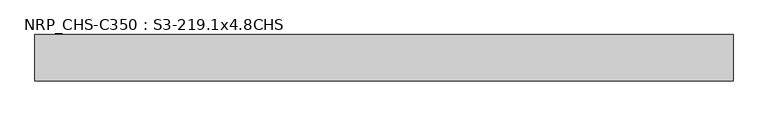
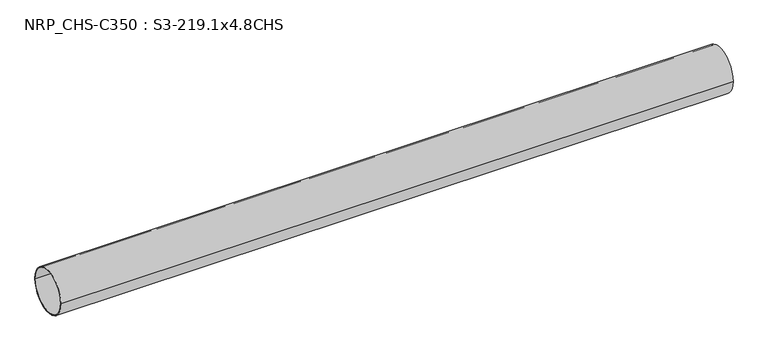
"""IFC4 building model written with IfcOpenShell, lengths in millimetres: beam geometry, NRP_CHS-C350 : S3-219.1x4.8CHS."""

import ifcopenshell
import ifcopenshell.guid

model = None  # the IFC model being written
_history = None  # IfcOwnerHistory: only IFC2X3 demands one
_inside = {}  # id of a spatial element -> (the spatial element, [elements in it])
_under = {}  # id of a project, library or spatial element -> (it, [spatial elements below it])
_declared = {}  # id of a project -> (the project, [libraries it declares])
_typed = {}  # id of a type object -> (the type object, [elements of that type])
_made_of = {}  # id of a material, layer set ... -> (it, [elements and type objects made of it])


def new_model(schema):
    """Start an empty IFC model of exactly this schema.

    Asked for "IFC4X3", IfcOpenShell would pick the latest addendum, in which some entities
    have other attributes; the version numbers below select the first issue.
    IFC2X3 requires an IfcOwnerHistory on every rooted entity: one is made here for all.
    """
    global model, _history
    if schema == "IFC4X3":
        model = ifcopenshell.file(schema_version=(4, 3, 0, 0))
    else:
        model = ifcopenshell.file(schema=schema)
    _inside.clear()
    _under.clear()
    _declared.clear()
    _typed.clear()
    _made_of.clear()
    _history = None
    if model.schema == "IFC2X3":
        org = make("IfcOrganization", Name="unknown")
        user = make(
            "IfcPersonAndOrganization",
            ThePerson=make("IfcPerson", FamilyName="unknown"),
            TheOrganization=org,
        )
        app = make(
            "IfcApplication",
            ApplicationDeveloper=org,
            Version="unknown",
            ApplicationFullName="unknown",
            ApplicationIdentifier="unknown",
        )
        _history = make(
            "IfcOwnerHistory",
            OwningUser=user,
            OwningApplication=app,
            ChangeAction="ADDED",
            CreationDate=0,
        )
    return model


def make(cls, **values):
    """One entity of the class cls with the attributes given. An attribute that is None is left unset."""
    return model.create_entity(
        cls, **{name: value for name, value in values.items() if value is not None}
    )


def rooted(cls, **values):
    """An entity with a GlobalId (a new one), such as an element, a storey or a relation."""
    return make(cls, GlobalId=ifcopenshell.guid.new(), OwnerHistory=_history, **values)


def si_unit(unit_type, name, prefix=None):
    """IfcSIUnit, for example si_unit("LENGTHUNIT", "METRE", prefix="MILLI")."""
    return make("IfcSIUnit", UnitType=unit_type, Prefix=prefix, Name=name)


def assignment(units):
    """IfcUnitAssignment: the units of a project."""
    return None if units is None else make("IfcUnitAssignment", Units=units)


def point(xyz):
    """IfcCartesianPoint."""
    return None if xyz is None else make("IfcCartesianPoint", Coordinates=xyz)


def direction(xyz):
    """IfcDirection."""
    return None if xyz is None else make("IfcDirection", DirectionRatios=xyz)


def frame(location, z_axis=None, x_axis=None):
    """IfcAxis2Placement3D, a coordinate frame: its origin and axes. An axis left out is left unset."""
    return make(
        "IfcAxis2Placement3D",
        Location=point(location),
        Axis=direction(z_axis),
        RefDirection=direction(x_axis),
    )


def frame_2d(location, x_axis=None):
    """IfcAxis2Placement2D, a coordinate frame in the plane: its origin and x axis."""
    return make(
        "IfcAxis2Placement2D", Location=point(location), RefDirection=direction(x_axis)
    )


def origin():
    """The frame at (0, 0, 0) with its axes left unset."""
    return frame((0.0, 0.0, 0.0))


def origin_2d():
    """The frame at (0, 0) in the plane with its x axis left unset."""
    return frame_2d((0.0, 0.0))


def place(relative_to, where):
    """IfcLocalPlacement: puts the frame where relative to a parent placement (None: the world)."""
    return make(
        "IfcLocalPlacement", PlacementRelTo=relative_to, RelativePlacement=where
    )


def context(
    kind, dimensions, precision=None, world=None, true_north=None, identifier=None
):
    """IfcGeometricRepresentationContext, for example the 3D "Model" context."""
    return make(
        "IfcGeometricRepresentationContext",
        ContextIdentifier=identifier,
        ContextType=kind,
        CoordinateSpaceDimension=dimensions,
        Precision=precision,
        WorldCoordinateSystem=world,
        TrueNorth=true_north,
    )


def project(units=None, contexts=None):
    """IfcProject with its units and contexts."""
    return rooted(
        "IfcProject",
        Name="project",
        RepresentationContexts=contexts,
        UnitsInContext=assignment(units),
    )


def spatial(cls, under=None, at=None, **own):
    """A site, building, storey or space (cls), placed at a placement, below another one or the project."""
    s = rooted(cls, ObjectPlacement=at, **own)
    if under is not None:
        _under.setdefault(under.id(), (under, []))[1].append(s)
    return s


def circle_curve(where, radius):
    """IfcCircle in the frame where."""
    return make("IfcCircle", Position=where, Radius=radius)


def trimmed(basis, trim1, trim2, sense, master):
    """IfcTrimmedCurve: the piece of a basis curve between two trims."""
    return make(
        "IfcTrimmedCurve",
        BasisCurve=basis,
        Trim1=trim1,
        Trim2=trim2,
        SenseAgreement=sense,
        MasterRepresentation=master,
    )


def segment(curve, same_sense, transition):
    """IfcCompositeCurveSegment."""
    return make(
        "IfcCompositeCurveSegment",
        Transition=transition,
        SameSense=same_sense,
        ParentCurve=curve,
    )


def composite_curve(segments, self_intersect=None):
    """IfcCompositeCurve: segments joined end to end."""
    return make("IfcCompositeCurve", Segments=segments, SelfIntersect=self_intersect)


def outline(outer, holes=None, kind="AREA"):
    """IfcArbitraryClosedProfileDef: a profile drawn as a closed curve; with holes, ...WithVoids."""
    if holes is None:
        return make("IfcArbitraryClosedProfileDef", ProfileType=kind, OuterCurve=outer)
    return make(
        "IfcArbitraryProfileDefWithVoids",
        ProfileType=kind,
        OuterCurve=outer,
        InnerCurves=holes,
    )


def extrude(swept, where, along, depth):
    """IfcExtrudedAreaSolid: the profile swept, set in the frame where, extruded along a direction by depth."""
    return make(
        "IfcExtrudedAreaSolid",
        SweptArea=swept,
        Position=where,
        ExtrudedDirection=direction(along),
        Depth=depth,
    )


def shape(context_of_items, identifier, shape_type, items):
    """IfcShapeRepresentation: the items that make up one representation, for example the "Body"."""
    return make(
        "IfcShapeRepresentation",
        ContextOfItems=context_of_items,
        RepresentationIdentifier=identifier,
        RepresentationType=shape_type,
        Items=items,
    )


def source(mapping_origin, context_of_items, identifier, shape_type, items):
    """IfcRepresentationMap: a shape defined once, which mapped items show again and again."""
    return make(
        "IfcRepresentationMap",
        MappingOrigin=mapping_origin,
        MappedRepresentation=shape(context_of_items, identifier, shape_type, items),
    )


def transform(
    local_origin,
    x_axis=None,
    y_axis=None,
    z_axis=None,
    scale=None,
    scale2=None,
    scale3=None,
    uniform=True,
):
    """IfcCartesianTransformationOperator3D, or its non-uniform kind. x_axis, y_axis, z_axis: its Axis1, 2, 3."""
    if uniform:
        return make(
            "IfcCartesianTransformationOperator3D",
            Axis1=direction(x_axis),
            Axis2=direction(y_axis),
            LocalOrigin=point(local_origin),
            Scale=scale,
            Axis3=direction(z_axis),
        )
    return make(
        "IfcCartesianTransformationOperator3DnonUniform",
        Axis1=direction(x_axis),
        Axis2=direction(y_axis),
        LocalOrigin=point(local_origin),
        Scale=scale,
        Axis3=direction(z_axis),
        Scale2=scale2,
        Scale3=scale3,
    )


def mapped(mapping_source, mapping_target):
    """IfcMappedItem: shows the shape of a source again, moved by a transform."""
    return make(
        "IfcMappedItem", MappingSource=mapping_source, MappingTarget=mapping_target
    )


def made_of(thing, what):
    """Note that an element or type object is made of a material, layer set ...; save() writes the relation."""
    if what is not None:
        _made_of.setdefault(what.id(), (what, []))[1].append(thing)
    return thing


def element(
    cls,
    number,
    at=None,
    inside=None,
    cuts=None,
    type_object=None,
    material=None,
    context=None,
    identifier="Body",
    shape_type=None,
    held_by="IfcProductDefinitionShape",
    body=None,
    shapes=None,
    **own,
):
    """One element of the class cls, such as IfcWall. Its Tag is "e" and its number.

    at: its placement. inside: the storey or other place that contains it. cuts: it is an
    opening in that element (IfcRelVoidsElement). A single representation is given by context,
    identifier, shape_type and body (its items); several are given by shapes. held_by: the class
    of the entity that holds the representations. save() writes the other relations.
    """
    e = rooted(cls, Tag="e%d" % number, ObjectPlacement=at, **own)
    if body is not None:
        shapes = [shape(context, identifier, shape_type, body)]
    if shapes is not None:
        e.Representation = make(held_by, Representations=shapes)
    if inside is not None:
        _inside.setdefault(inside.id(), (inside, []))[1].append(e)
    if cuts is not None:
        rooted(
            "IfcRelVoidsElement", RelatingBuildingElement=cuts, RelatedOpeningElement=e
        )
    if type_object is not None:
        _typed.setdefault(type_object.id(), (type_object, []))[1].append(e)
    return made_of(e, material)


def aggregate(whole, parts):
    """IfcRelAggregates: a whole, such as a stair, and the parts it consists of."""
    return rooted("IfcRelAggregates", RelatingObject=whole, RelatedObjects=parts)


def save(model, path):
    """Write the relations noted so far, then the file.

    IfcRelAggregates (storeys below a building ...), IfcRelContainedInSpatialStructure (elements
    in a storey), IfcRelDefinesByType, IfcRelAssociatesMaterial and IfcRelDeclares: one each for
    every whole, place, type object, material and project.
    """
    for whole, parts in _under.values():
        aggregate(whole, parts)
    for where, things in _inside.values():
        rooted(
            "IfcRelContainedInSpatialStructure",
            RelatedElements=things,
            RelatingStructure=where,
        )
    for kind, things in _typed.values():
        rooted("IfcRelDefinesByType", RelatedObjects=things, RelatingType=kind)
    for what, things in _made_of.values():
        rooted("IfcRelAssociatesMaterial", RelatedObjects=things, RelatingMaterial=what)
    for by, libraries in _declared.values():
        rooted("IfcRelDeclares", RelatingContext=by, RelatedDefinitions=libraries)
    model.write(path)


def nrp_chs_c350_s3_219_1x4_8chs_24235f54(model_context):
    return source(origin(), model_context, "Body", "SweptSolid", [
        extrude(outline(composite_curve([segment(trimmed(circle_curve(origin_2d(), 109.55), [point((109.55, 0.0))], [point((-109.55, 0.0))], False, "CARTESIAN"), True, "CONTINUOUS"), segment(trimmed(circle_curve(origin_2d(), 109.55), [point((-109.55, 0.0))], [point((109.55, 0.0))], False, "CARTESIAN"), True, "CONTINUOUS")], self_intersect=False), holes=[composite_curve([segment(trimmed(circle_curve(origin_2d(), 104.75), [point((-104.75, 0.0))], [point((104.75, 0.0))], True, "CARTESIAN"), True, "CONTINUOUS"), segment(trimmed(circle_curve(origin_2d(), 104.75), [point((104.75, 0.0))], [point((-104.75, 0.0))], True, "CARTESIAN"), True, "CONTINUOUS")], self_intersect=False)]), frame((-1661.2, 0.0, 0.0), z_axis=(1.0, 0.0, 0.0), x_axis=(0.0, 1.0, 0.0)), (0.0, 0.0, 1.0), 3289.8),
    ])


if __name__ == "__main__":
    model = new_model("IFC4")
    model_context = context("Model", 3, world=origin())
    ifc_project = project(units=[si_unit("LENGTHUNIT", "METRE", prefix="MILLI")], contexts=[model_context])
    site = spatial("IfcSite", under=ifc_project)
    building = spatial("IfcBuilding", under=site)
    placement = place(None, origin())
    nrp_chs_c350_s3_219_1x4_8chs_shape = nrp_chs_c350_s3_219_1x4_8chs_24235f54(model_context)
    element("IfcBeam", 1, ObjectType="NRP_CHS-C350 : S3-219.1x4.8CHS", at=placement, inside=building, context=model_context, shape_type="MappedRepresentation", body=[
        mapped(nrp_chs_c350_s3_219_1x4_8chs_shape, transform((0.0, 0.0, 0.0), x_axis=(1.0, 0.0, 0.0), y_axis=(0.0, 1.0, 0.0), z_axis=(0.0, 0.0, 1.0))),
    ])
    save(model, "model.ifc")
